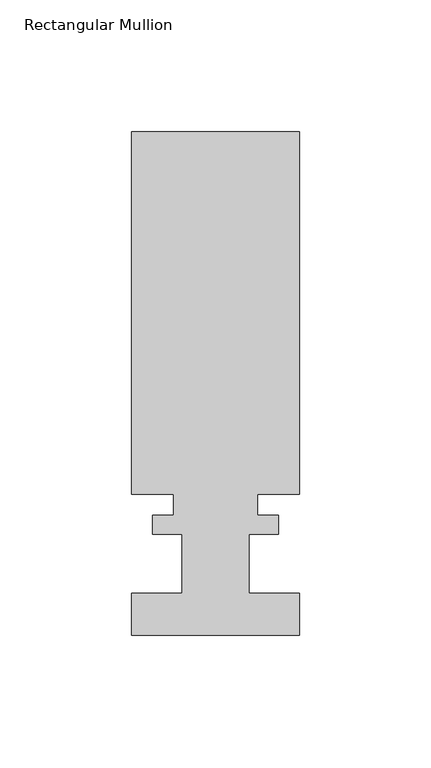
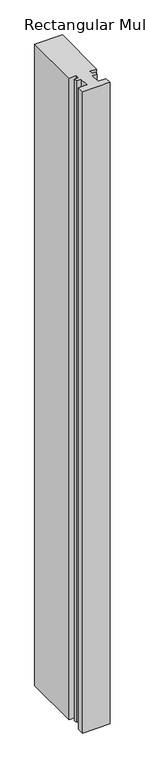
"""IFC4 building model written with IfcOpenShell, lengths in millimetres: member geometry, Rectangular Mullion."""

from ifc_helpers import new_model, si_unit, frame, origin, place, context, project, spatial, polyline, outline, extrude, source, transform, mapped, element, save


def rectangular_mullion_1224d3a2(model_context):
    return source(origin(), model_context, "Body", "SweptSolid", [
        extrude(outline(polyline([(-31.75, 0.142875), (-31.75, 16.017875), (-12.7, 16.017875), (-12.7, 38.496875), (-23.8252, 38.496875), (-23.8252, 45.659675), (-15.875, 45.659675), (-15.875, 53.559075), (-31.75, 53.559075), (-31.75, 190.896875), (31.75, 190.896875), (31.75, 53.559075), (15.875, 53.559075), (15.875, 45.659675), (23.8252, 45.659675), (23.8252, 38.496875), (12.7, 38.496875), (12.7, 16.017875), (31.75, 16.017875), (31.75, 0.142875), (-31.75, 0.142875)])), frame((0.0, 0.0, -1560.5252), z_axis=(0.0, 0.0, 1.0), x_axis=(1.0, 0.0, 0.0)), (0.0, 0.0, 1.0), 1560.5252),
    ])


if __name__ == "__main__":
    model = new_model("IFC4")
    model_context = context("Model", 3, world=origin())
    ifc_project = project(units=[si_unit("LENGTHUNIT", "METRE", prefix="MILLI")], contexts=[model_context])
    site = spatial("IfcSite", under=ifc_project)
    building = spatial("IfcBuilding", under=site)
    placement = place(None, origin())
    rectangular_mullion_shape = rectangular_mullion_1224d3a2(model_context)
    element("IfcMember", 1, ObjectType="Rectangular Mullion", at=placement, inside=building, context=model_context, shape_type="MappedRepresentation", body=[
        mapped(rectangular_mullion_shape, transform((0.0, 0.0, 0.0), x_axis=(1.0, 0.0, 0.0), y_axis=(0.0, 1.0, 0.0), z_axis=(0.0, 0.0, 1.0))),
    ])
    save(model, "model.ifc")
